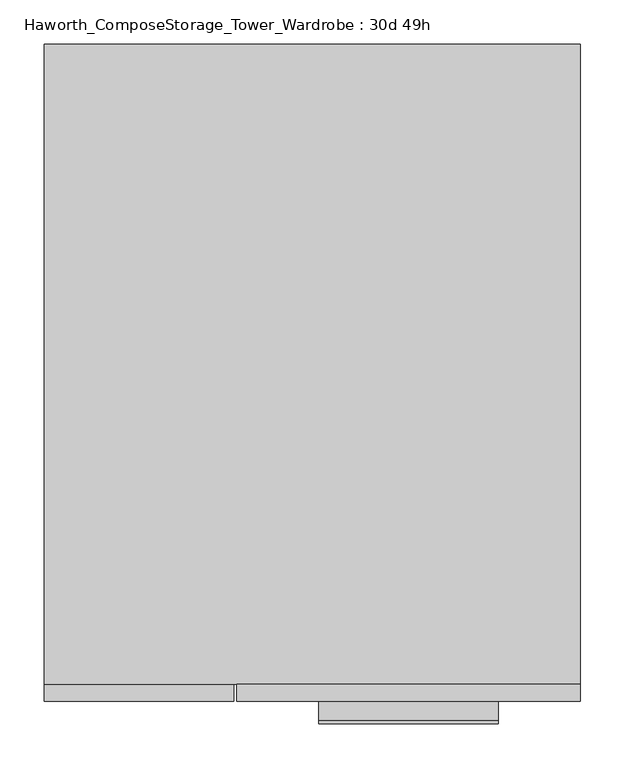
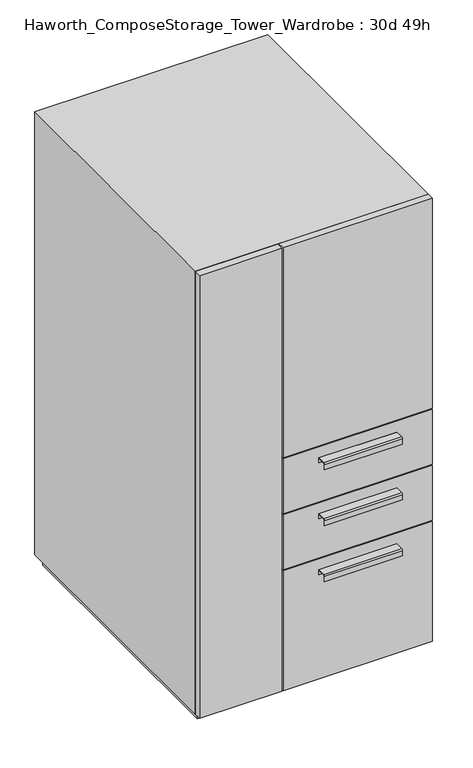
"""IFC4 building model written with IfcOpenShell, lengths in millimetres: furniture geometry, Haworth_ComposeStorage_Tower_Wardrobe : 30d 49h."""

from ifc_helpers import new_model, si_unit, point, frame, frame_2d, origin, origin_with_axes, place, context, project, spatial, polyline, circle_curve, trimmed, segment, composite_curve, outline, extrude, faceted_brep, source, transform, mapped, element, save


def haworth_composestorage_tower_wardrobe_30d_49h_de7e73ec(model_context):
    return source(origin(), model_context, "Body", "SolidModel", [
        extrude(outline(composite_curve([segment(polyline([(-403.2250242, 633.9919215), (-381.0, 633.9919215), (-381.0, 620.5299525), (-381.7937742, 620.5299525), (-381.7937742, 633.1982199), (-403.2250242, 633.1982199)]), True, "CONTINUOUS"), segment(trimmed(circle_curve(frame_2d((-403.2250242, 630.8142808)), 2.3839392), [point((-403.2250242, 633.1982199))], [point((-405.6089634, 630.8142808))], True, "CARTESIAN"), True, "CONTINUOUS"), segment(polyline([(-405.6089634, 630.8142808), (-405.6089634, 616.2119021), (-406.3999758, 616.2119021), (-406.3999758, 630.8169699)]), True, "CONTINUOUS"), segment(trimmed(circle_curve(frame_2d((-403.2250242, 630.8169699)), 3.1749516), [point((-406.3999758, 630.8169699))], [point((-403.2250242, 633.9919215))], False, "CARTESIAN"), True, "CONTINUOUS")], self_intersect=False)), frame((7.1576406, 0.0, 0.0), z_axis=(1.0, 0.0, 0.0), x_axis=(0.0, 1.0, 0.0)), (0.0, 0.0, 1.0), 203.2),
        extrude(outline(polyline([(303.2263906, -361.95), (303.2263906, -381.0), (-85.7111094, -381.0), (-85.7111094, -361.95), (303.2263906, -361.95)])), frame((0.0, 0.0, 512.7625), z_axis=(0.0, 0.0, 1.0), x_axis=(1.0, 0.0, 0.0)), (0.0, 0.0, 1.0), 150.8125),
        extrude(outline(composite_curve([segment(polyline([(-403.2250242, 480.0044215), (-381.0, 480.0044215), (-381.0, 466.5424525), (-381.7937742, 466.5424525), (-381.7937742, 479.2107199), (-403.2250242, 479.2107199)]), True, "CONTINUOUS"), segment(trimmed(circle_curve(frame_2d((-403.2250242, 476.8267808)), 2.3839392), [point((-403.2250242, 479.2107199))], [point((-405.6089634, 476.8267808))], True, "CARTESIAN"), True, "CONTINUOUS"), segment(polyline([(-405.6089634, 476.8267808), (-405.6089634, 462.2244021), (-406.3999758, 462.2244021), (-406.3999758, 476.8294699)]), True, "CONTINUOUS"), segment(trimmed(circle_curve(frame_2d((-403.2250242, 476.8294699)), 3.1749516), [point((-406.3999758, 476.8294699))], [point((-403.2250242, 480.0044215))], False, "CARTESIAN"), True, "CONTINUOUS")], self_intersect=False)), frame((7.1576406, 0.0, 0.0), z_axis=(1.0, 0.0, 0.0), x_axis=(0.0, 1.0, 0.0)), (0.0, 0.0, 1.0), 203.2),
        extrude(outline(polyline([(303.2263906, -361.95), (303.2263906, -381.0), (-85.7111094, -381.0), (-85.7111094, -361.95), (303.2263906, -361.95)])), frame((0.0, 0.0, 358.775), z_axis=(0.0, 0.0, 1.0), x_axis=(1.0, 0.0, 0.0)), (0.0, 0.0, 1.0), 150.8125),
        extrude(outline(composite_curve([segment(polyline([(-403.2250242, 326.0169215), (-381.0, 326.0169215), (-381.0, 312.5549525), (-381.7937742, 312.5549525), (-381.7937742, 325.2232199), (-403.2250242, 325.2232199)]), True, "CONTINUOUS"), segment(trimmed(circle_curve(frame_2d((-403.2250242, 322.8392808)), 2.3839392), [point((-403.2250242, 325.2232199))], [point((-405.6089634, 322.8392808))], True, "CARTESIAN"), True, "CONTINUOUS"), segment(polyline([(-405.6089634, 322.8392808), (-405.6089634, 308.2369021), (-406.3999758, 308.2369021), (-406.3999758, 322.8419699)]), True, "CONTINUOUS"), segment(trimmed(circle_curve(frame_2d((-403.2250242, 322.8419699)), 3.1749516), [point((-406.3999758, 322.8419699))], [point((-403.2250242, 326.0169215))], False, "CARTESIAN"), True, "CONTINUOUS")], self_intersect=False)), frame((7.1576406, 0.0, 0.0), z_axis=(1.0, 0.0, 0.0), x_axis=(0.0, 1.0, 0.0)), (0.0, 0.0, 1.0), 203.2),
        extrude(outline(polyline([(303.2263906, -361.95), (303.2263906, -381.0), (-85.7111094, -381.0), (-85.7111094, -361.95), (303.2263906, -361.95)])), frame((0.0, 0.0, 25.4), z_axis=(0.0, 0.0, 1.0), x_axis=(1.0, 0.0, 0.0)), (0.0, 0.0, 1.0), 330.2),
        extrude(outline(polyline([(303.2263906, -361.95), (303.2263906, -381.0), (-85.7111094, -381.0), (-85.7111094, -361.95), (303.2263906, -361.95)])), frame((0.0, 0.0, 666.75), z_axis=(0.0, 0.0, 1.0), x_axis=(1.0, 0.0, 0.0)), (0.0, 0.0, 1.0), 577.85),
        faceted_brep([(-303.1986094, -361.95, 25.4), (303.2263906, -361.95, 25.4), (303.2263906, -361.95, 1244.6), (-303.1986094, -361.95, 1244.6), (-284.1486094, -361.95, 44.45), (-284.1486094, -361.95, 1225.55), (284.1694453, -361.95, 1225.55), (284.1694453, -361.95, 44.45), (-303.1986094, 361.95, 25.4), (-303.1986094, 361.95, 1244.6), (303.2263906, 361.95, 1244.6), (303.2263906, 361.95, 25.4), (-284.1486094, 342.9, 44.45), (-284.1486094, 342.9, 1225.55), (284.1694453, 342.9, 1225.55), (284.1694453, 342.9, 44.45)], [[[0, 1, 2, 3], [4, 5, 6, 7]], [[8, 9, 10, 11]], [[1, 0, 8, 11]], [[2, 1, 11, 10]], [[3, 2, 10, 9]], [[0, 3, 9, 8]], [[5, 4, 12, 13]], [[6, 5, 13, 14]], [[7, 6, 14, 15]], [[4, 7, 15, 12]], [[13, 12, 15, 14]]]),
        extrude(outline(polyline([(290.5263906, -349.25), (-290.4986094, -349.25), (-290.4986094, 349.25), (290.5263906, 349.25), (290.5263906, -349.25)])), origin_with_axes(), (0.0, 0.0, 1.0), 25.4),
        extrude(outline(polyline([(-303.1986094, -381.0), (-303.1986094, -361.95), (-88.8861094, -361.95), (-88.8861094, -381.0), (-303.1986094, -381.0)])), frame((0.0, 0.0, 25.4), z_axis=(0.0, 0.0, 1.0), x_axis=(1.0, 0.0, 0.0)), (0.0, 0.0, 1.0), 1219.2),
    ])


if __name__ == "__main__":
    model = new_model("IFC4")
    model_context = context("Model", 3, world=origin())
    ifc_project = project(units=[si_unit("LENGTHUNIT", "METRE", prefix="MILLI")], contexts=[model_context])
    site = spatial("IfcSite", under=ifc_project)
    building = spatial("IfcBuilding", under=site)
    placement = place(None, origin())
    haworth_composestorage_tower_wardrobe_30d_49h_shape = haworth_composestorage_tower_wardrobe_30d_49h_de7e73ec(model_context)
    element("IfcFurniture", 1, ObjectType="Haworth_ComposeStorage_Tower_Wardrobe : 30d 49h", at=placement, inside=building, context=model_context, shape_type="MappedRepresentation", body=[
        mapped(haworth_composestorage_tower_wardrobe_30d_49h_shape, transform((0.0, 0.0, 0.0), x_axis=(1.0, 0.0, 0.0), y_axis=(0.0, 1.0, 0.0), z_axis=(0.0, 0.0, 1.0))),
    ])
    save(model, "model.ifc")
